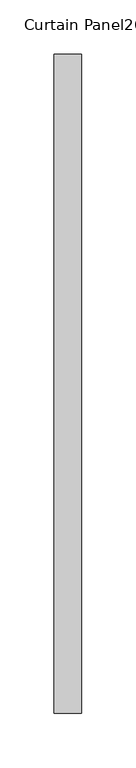
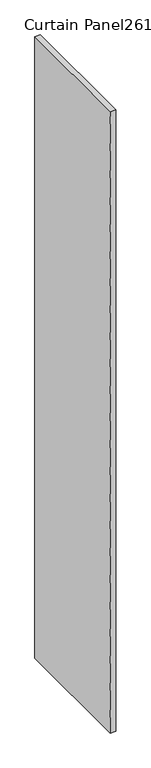
"""IFC4 building model written with IfcOpenShell, lengths in millimetres: plate geometry, Curtain Panel261 : Curtain Panel."""

from ifc_helpers import new_model, si_unit, frame, origin, place, context, project, spatial, polyline, outline, extrude, source, transform, mapped, element, save


def curtain_panel261_curtain_panel_388d11b1(model_context):
    return source(origin(), model_context, "Body", "SweptSolid", [
        extrude(outline(polyline([(573190.9689525, 3724.6642924), (573190.9689525, 3118.9432644), (573165.5689525, 3118.9432644), (573165.5689525, 3724.6642924), (573190.9689525, 3724.6642924)])), frame((0.0, 0.0, 4959.7989371), z_axis=(0.0, 0.0, 1.0), x_axis=(1.0, 0.0, 0.0)), (0.0, 0.0, 1.0), 3048.0),
    ])


if __name__ == "__main__":
    model = new_model("IFC4")
    model_context = context("Model", 3, world=origin())
    ifc_project = project(units=[si_unit("LENGTHUNIT", "METRE", prefix="MILLI")], contexts=[model_context])
    site = spatial("IfcSite", under=ifc_project)
    building = spatial("IfcBuilding", under=site)
    placement = place(None, origin())
    curtain_panel261_curtain_panel_shape = curtain_panel261_curtain_panel_388d11b1(model_context)
    element("IfcPlate", 1, ObjectType="Curtain Panel261 : Curtain Panel", at=placement, inside=building, context=model_context, shape_type="MappedRepresentation", body=[
        mapped(curtain_panel261_curtain_panel_shape, transform((0.0, 0.0, 0.0), x_axis=(1.0, 0.0, 0.0), y_axis=(0.0, 1.0, 0.0), z_axis=(0.0, 0.0, 1.0))),
    ])
    save(model, "model.ifc")
